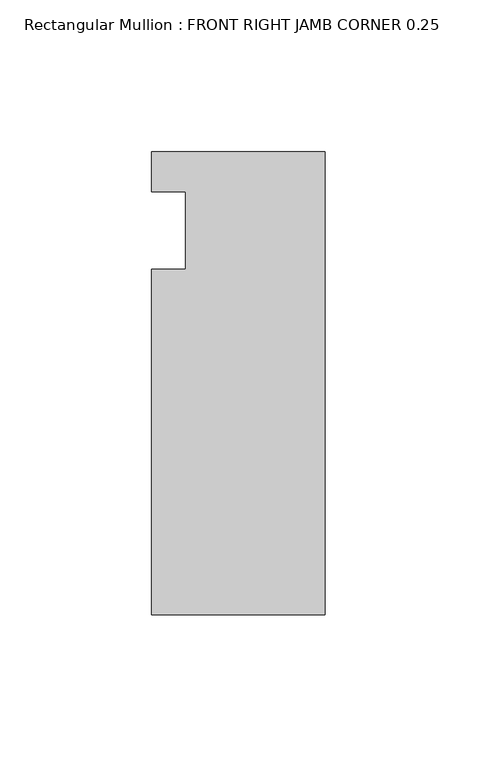
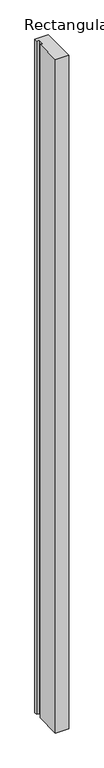
"""IFC4 building model written with IfcOpenShell, lengths in millimetres: member geometry, Rectangular Mullion : FRONT RIGHT JAMB CORNER 0.25."""

from ifc_helpers import new_model, si_unit, frame, origin, place, context, project, spatial, polyline, outline, extrude, source, transform, mapped, element, save


def rectangular_mullion_front_right_jamb_corner_0_25_09fcae49(model_context):
    return source(origin(), model_context, "Body", "SweptSolid", [
        extrude(outline(polyline([(-57.15, 38.5960937), (0.0, 38.5960937), (0.0, -113.8039063), (-57.15, -113.8039063), (-57.15, 0.0007937), (-46.0375, 0.0007937), (-46.0375, 25.4007937), (-57.15, 25.4007937), (-57.15, 38.5960937)])), frame((0.0, 0.0, -3048.0), z_axis=(0.0, 0.0, 1.0), x_axis=(1.0, 0.0, 0.0)), (0.0, 0.0, 1.0), 3048.0),
    ])


if __name__ == "__main__":
    model = new_model("IFC4")
    model_context = context("Model", 3, world=origin())
    ifc_project = project(units=[si_unit("LENGTHUNIT", "METRE", prefix="MILLI")], contexts=[model_context])
    site = spatial("IfcSite", under=ifc_project)
    building = spatial("IfcBuilding", under=site)
    placement = place(None, origin())
    rectangular_mullion_front_right_jamb_corner_0_25_shape = rectangular_mullion_front_right_jamb_corner_0_25_09fcae49(model_context)
    element("IfcMember", 1, ObjectType="Rectangular Mullion : FRONT RIGHT JAMB CORNER 0.25", at=placement, inside=building, context=model_context, shape_type="MappedRepresentation", body=[
        mapped(rectangular_mullion_front_right_jamb_corner_0_25_shape, transform((0.0, 0.0, 0.0), x_axis=(1.0, 0.0, 0.0), y_axis=(0.0, 1.0, 0.0), z_axis=(0.0, 0.0, 1.0))),
    ])
    save(model, "model.ifc")
